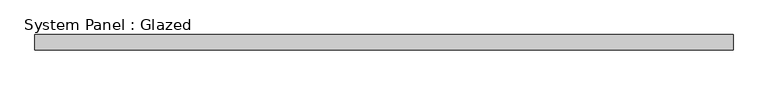
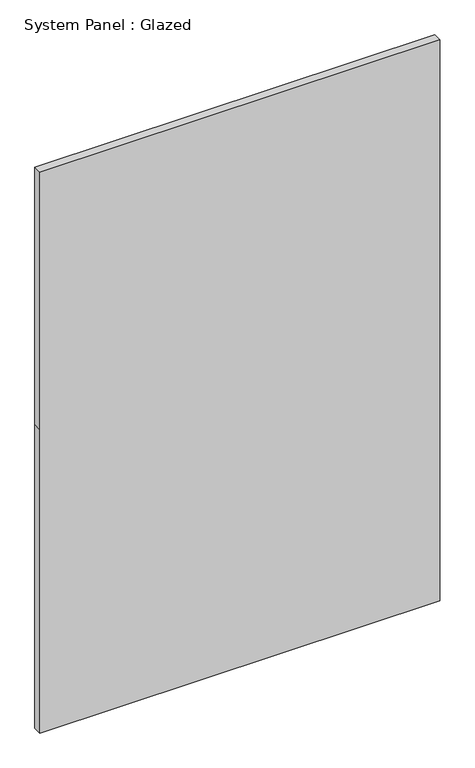
"""IFC4 building model written with IfcOpenShell, lengths in millimetres: plate geometry, System Panel : Glazed."""

import ifcopenshell
import ifcopenshell.guid

model = None  # the IFC model being written
_history = None  # IfcOwnerHistory: only IFC2X3 demands one
_inside = {}  # id of a spatial element -> (the spatial element, [elements in it])
_under = {}  # id of a project, library or spatial element -> (it, [spatial elements below it])
_declared = {}  # id of a project -> (the project, [libraries it declares])
_typed = {}  # id of a type object -> (the type object, [elements of that type])
_made_of = {}  # id of a material, layer set ... -> (it, [elements and type objects made of it])


def new_model(schema):
    """Start an empty IFC model of exactly this schema.

    Asked for "IFC4X3", IfcOpenShell would pick the latest addendum, in which some entities
    have other attributes; the version numbers below select the first issue.
    IFC2X3 requires an IfcOwnerHistory on every rooted entity: one is made here for all.
    """
    global model, _history
    if schema == "IFC4X3":
        model = ifcopenshell.file(schema_version=(4, 3, 0, 0))
    else:
        model = ifcopenshell.file(schema=schema)
    _inside.clear()
    _under.clear()
    _declared.clear()
    _typed.clear()
    _made_of.clear()
    _history = None
    if model.schema == "IFC2X3":
        org = make("IfcOrganization", Name="unknown")
        user = make(
            "IfcPersonAndOrganization",
            ThePerson=make("IfcPerson", FamilyName="unknown"),
            TheOrganization=org,
        )
        app = make(
            "IfcApplication",
            ApplicationDeveloper=org,
            Version="unknown",
            ApplicationFullName="unknown",
            ApplicationIdentifier="unknown",
        )
        _history = make(
            "IfcOwnerHistory",
            OwningUser=user,
            OwningApplication=app,
            ChangeAction="ADDED",
            CreationDate=0,
        )
    return model


def make(cls, **values):
    """One entity of the class cls with the attributes given. An attribute that is None is left unset."""
    return model.create_entity(
        cls, **{name: value for name, value in values.items() if value is not None}
    )


def rooted(cls, **values):
    """An entity with a GlobalId (a new one), such as an element, a storey or a relation."""
    return make(cls, GlobalId=ifcopenshell.guid.new(), OwnerHistory=_history, **values)


def si_unit(unit_type, name, prefix=None):
    """IfcSIUnit, for example si_unit("LENGTHUNIT", "METRE", prefix="MILLI")."""
    return make("IfcSIUnit", UnitType=unit_type, Prefix=prefix, Name=name)


def assignment(units):
    """IfcUnitAssignment: the units of a project."""
    return None if units is None else make("IfcUnitAssignment", Units=units)


def point(xyz):
    """IfcCartesianPoint."""
    return None if xyz is None else make("IfcCartesianPoint", Coordinates=xyz)


def direction(xyz):
    """IfcDirection."""
    return None if xyz is None else make("IfcDirection", DirectionRatios=xyz)


def frame(location, z_axis=None, x_axis=None):
    """IfcAxis2Placement3D, a coordinate frame: its origin and axes. An axis left out is left unset."""
    return make(
        "IfcAxis2Placement3D",
        Location=point(location),
        Axis=direction(z_axis),
        RefDirection=direction(x_axis),
    )


def origin():
    """The frame at (0, 0, 0) with its axes left unset."""
    return frame((0.0, 0.0, 0.0))


def place(relative_to, where):
    """IfcLocalPlacement: puts the frame where relative to a parent placement (None: the world)."""
    return make(
        "IfcLocalPlacement", PlacementRelTo=relative_to, RelativePlacement=where
    )


def context(
    kind, dimensions, precision=None, world=None, true_north=None, identifier=None
):
    """IfcGeometricRepresentationContext, for example the 3D "Model" context."""
    return make(
        "IfcGeometricRepresentationContext",
        ContextIdentifier=identifier,
        ContextType=kind,
        CoordinateSpaceDimension=dimensions,
        Precision=precision,
        WorldCoordinateSystem=world,
        TrueNorth=true_north,
    )


def project(units=None, contexts=None):
    """IfcProject with its units and contexts."""
    return rooted(
        "IfcProject",
        Name="project",
        RepresentationContexts=contexts,
        UnitsInContext=assignment(units),
    )


def spatial(cls, under=None, at=None, **own):
    """A site, building, storey or space (cls), placed at a placement, below another one or the project."""
    s = rooted(cls, ObjectPlacement=at, **own)
    if under is not None:
        _under.setdefault(under.id(), (under, []))[1].append(s)
    return s


def polyline(points):
    """IfcPolyline through the points."""
    return make("IfcPolyline", Points=[point(p) for p in points])


def outline(outer, holes=None, kind="AREA"):
    """IfcArbitraryClosedProfileDef: a profile drawn as a closed curve; with holes, ...WithVoids."""
    if holes is None:
        return make("IfcArbitraryClosedProfileDef", ProfileType=kind, OuterCurve=outer)
    return make(
        "IfcArbitraryProfileDefWithVoids",
        ProfileType=kind,
        OuterCurve=outer,
        InnerCurves=holes,
    )


def extrude(swept, where, along, depth):
    """IfcExtrudedAreaSolid: the profile swept, set in the frame where, extruded along a direction by depth."""
    return make(
        "IfcExtrudedAreaSolid",
        SweptArea=swept,
        Position=where,
        ExtrudedDirection=direction(along),
        Depth=depth,
    )


def shape(context_of_items, identifier, shape_type, items):
    """IfcShapeRepresentation: the items that make up one representation, for example the "Body"."""
    return make(
        "IfcShapeRepresentation",
        ContextOfItems=context_of_items,
        RepresentationIdentifier=identifier,
        RepresentationType=shape_type,
        Items=items,
    )


def source(mapping_origin, context_of_items, identifier, shape_type, items):
    """IfcRepresentationMap: a shape defined once, which mapped items show again and again."""
    return make(
        "IfcRepresentationMap",
        MappingOrigin=mapping_origin,
        MappedRepresentation=shape(context_of_items, identifier, shape_type, items),
    )


def transform(
    local_origin,
    x_axis=None,
    y_axis=None,
    z_axis=None,
    scale=None,
    scale2=None,
    scale3=None,
    uniform=True,
):
    """IfcCartesianTransformationOperator3D, or its non-uniform kind. x_axis, y_axis, z_axis: its Axis1, 2, 3."""
    if uniform:
        return make(
            "IfcCartesianTransformationOperator3D",
            Axis1=direction(x_axis),
            Axis2=direction(y_axis),
            LocalOrigin=point(local_origin),
            Scale=scale,
            Axis3=direction(z_axis),
        )
    return make(
        "IfcCartesianTransformationOperator3DnonUniform",
        Axis1=direction(x_axis),
        Axis2=direction(y_axis),
        LocalOrigin=point(local_origin),
        Scale=scale,
        Axis3=direction(z_axis),
        Scale2=scale2,
        Scale3=scale3,
    )


def mapped(mapping_source, mapping_target):
    """IfcMappedItem: shows the shape of a source again, moved by a transform."""
    return make(
        "IfcMappedItem", MappingSource=mapping_source, MappingTarget=mapping_target
    )


def made_of(thing, what):
    """Note that an element or type object is made of a material, layer set ...; save() writes the relation."""
    if what is not None:
        _made_of.setdefault(what.id(), (what, []))[1].append(thing)
    return thing


def element(
    cls,
    number,
    at=None,
    inside=None,
    cuts=None,
    type_object=None,
    material=None,
    context=None,
    identifier="Body",
    shape_type=None,
    held_by="IfcProductDefinitionShape",
    body=None,
    shapes=None,
    **own,
):
    """One element of the class cls, such as IfcWall. Its Tag is "e" and its number.

    at: its placement. inside: the storey or other place that contains it. cuts: it is an
    opening in that element (IfcRelVoidsElement). A single representation is given by context,
    identifier, shape_type and body (its items); several are given by shapes. held_by: the class
    of the entity that holds the representations. save() writes the other relations.
    """
    e = rooted(cls, Tag="e%d" % number, ObjectPlacement=at, **own)
    if body is not None:
        shapes = [shape(context, identifier, shape_type, body)]
    if shapes is not None:
        e.Representation = make(held_by, Representations=shapes)
    if inside is not None:
        _inside.setdefault(inside.id(), (inside, []))[1].append(e)
    if cuts is not None:
        rooted(
            "IfcRelVoidsElement", RelatingBuildingElement=cuts, RelatedOpeningElement=e
        )
    if type_object is not None:
        _typed.setdefault(type_object.id(), (type_object, []))[1].append(e)
    return made_of(e, material)


def aggregate(whole, parts):
    """IfcRelAggregates: a whole, such as a stair, and the parts it consists of."""
    return rooted("IfcRelAggregates", RelatingObject=whole, RelatedObjects=parts)


def save(model, path):
    """Write the relations noted so far, then the file.

    IfcRelAggregates (storeys below a building ...), IfcRelContainedInSpatialStructure (elements
    in a storey), IfcRelDefinesByType, IfcRelAssociatesMaterial and IfcRelDeclares: one each for
    every whole, place, type object, material and project.
    """
    for whole, parts in _under.values():
        aggregate(whole, parts)
    for where, things in _inside.values():
        rooted(
            "IfcRelContainedInSpatialStructure",
            RelatedElements=things,
            RelatingStructure=where,
        )
    for kind, things in _typed.values():
        rooted("IfcRelDefinesByType", RelatedObjects=things, RelatingType=kind)
    for what, things in _made_of.values():
        rooted("IfcRelAssociatesMaterial", RelatedObjects=things, RelatingMaterial=what)
    for by, libraries in _declared.values():
        rooted("IfcRelDeclares", RelatingContext=by, RelatedDefinitions=libraries)
    model.write(path)


def system_panel_glazed_b5407b15(model_context):
    return source(origin(), model_context, "Body", "SweptSolid", [
        extrude(outline(polyline([(0.0, -570.0), (0.0, 570.0), (915.0, 570.0), (1690.0, 570.0), (1690.0, -570.0), (915.0, -570.0), (0.0, -570.0)])), frame((0.0, 24.5, 0.0), z_axis=(0.0, 1.0, 0.0), x_axis=(0.0, 0.0, 1.0)), (0.0, 0.0, 1.0), 25.0),
    ])


if __name__ == "__main__":
    model = new_model("IFC4")
    model_context = context("Model", 3, world=origin())
    ifc_project = project(units=[si_unit("LENGTHUNIT", "METRE", prefix="MILLI")], contexts=[model_context])
    site = spatial("IfcSite", under=ifc_project)
    building = spatial("IfcBuilding", under=site)
    placement = place(None, origin())
    system_panel_glazed_shape = system_panel_glazed_b5407b15(model_context)
    element("IfcPlate", 1, ObjectType="System Panel : Glazed", at=placement, inside=building, context=model_context, shape_type="MappedRepresentation", body=[
        mapped(system_panel_glazed_shape, transform((0.0, 0.0, 0.0), x_axis=(1.0, 0.0, 0.0), y_axis=(0.0, 1.0, 0.0), z_axis=(0.0, 0.0, 1.0))),
    ])
    save(model, "model.ifc")
